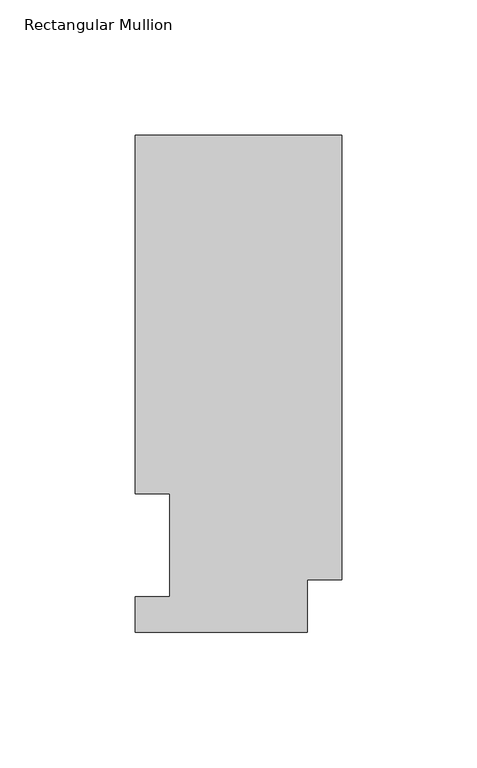
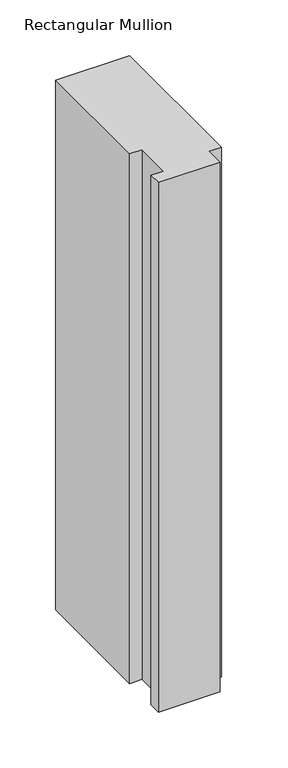
"""IFC4 building model written with IfcOpenShell, lengths in millimetres: member geometry, Rectangular Mullion."""

from ifc_helpers import new_model, si_unit, frame, origin, place, context, project, spatial, polyline, outline, extrude, source, transform, mapped, element, save


def rectangular_mullion_743c9210(model_context):
    return source(origin(), model_context, "Body", "SweptSolid", [
        extrude(outline(polyline([(-76.2000001, 221.9706937), (0.0, 221.9706937), (0.0, 57.8612932), (-12.7000001, 57.8612932), (-12.7000001, 38.3286932), (-76.1832381, 38.3286932), (-76.1832381, 51.5112932), (-63.5126996, 51.5112932), (-63.5126996, 89.5945312), (-76.2000001, 89.5945313), (-76.2000001, 221.9706937)])), frame((0.0, 0.0, -577.8500002), z_axis=(0.0, 0.0, 1.0), x_axis=(1.0, 0.0, 0.0)), (0.0, 0.0, 1.0), 577.8500002),
    ])


if __name__ == "__main__":
    model = new_model("IFC4")
    model_context = context("Model", 3, world=origin())
    ifc_project = project(units=[si_unit("LENGTHUNIT", "METRE", prefix="MILLI")], contexts=[model_context])
    site = spatial("IfcSite", under=ifc_project)
    building = spatial("IfcBuilding", under=site)
    placement = place(None, origin())
    rectangular_mullion_shape = rectangular_mullion_743c9210(model_context)
    element("IfcMember", 1, ObjectType="Rectangular Mullion", at=placement, inside=building, context=model_context, shape_type="MappedRepresentation", body=[
        mapped(rectangular_mullion_shape, transform((0.0, 0.0, 0.0), x_axis=(1.0, 0.0, 0.0), y_axis=(0.0, 1.0, 0.0), z_axis=(0.0, 0.0, 1.0))),
    ])
    save(model, "model.ifc")
